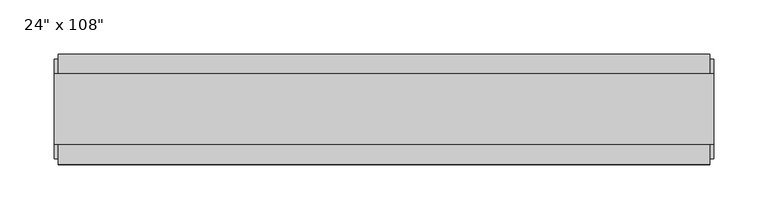
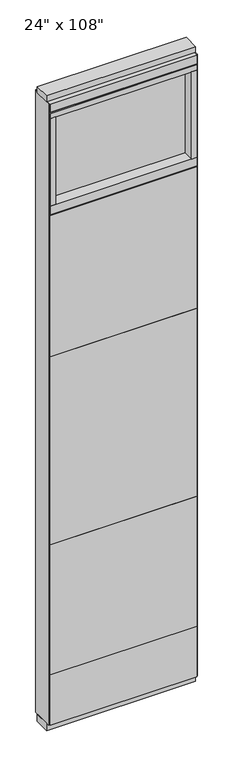
"""IFC4 building model written with IfcOpenShell, lengths in millimetres: furniture geometry."""

from ifc_helpers import new_model, si_unit, frame, origin, origin_with_axes, place, context, project, spatial, polyline, outline, extrude, source, transform, mapped, element, save


def furniture_3c2fc466(model_context):
    return source(origin(), model_context, "Body", "SweptSolid", [
        extrude(outline(polyline([(240.8264771, 46.2822784), (240.8264771, 33.5822784), (-360.8995229, 33.5822784), (-360.8995229, 46.2822784), (240.8264771, 46.2822784)])), frame((0.0, 0.0, 1625.6), z_axis=(0.0, 0.0, 1.0), x_axis=(1.0, 0.0, 0.0)), (0.0, 0.0, 1.0), 609.6),
        extrude(outline(polyline([(240.8264771, 46.2822784), (240.8264771, 33.5822784), (-360.8995229, 33.5822784), (-360.8995229, 46.2822784), (240.8264771, 46.2822784)])), frame((0.0, 0.0, 812.8), z_axis=(0.0, 0.0, 1.0), x_axis=(1.0, 0.0, 0.0)), (0.0, 0.0, 1.0), 812.8),
        extrude(outline(polyline([(240.8264771, 46.2822784), (240.8264771, 33.5822784), (-360.8995229, 33.5822784), (-360.8995229, 46.2822784), (240.8264771, 46.2822784)])), frame((0.0, 0.0, 249.936), z_axis=(0.0, 0.0, 1.0), x_axis=(1.0, 0.0, 0.0)), (0.0, 0.0, 1.0), 562.864),
        extrude(outline(polyline([(240.8264771, -55.3177216), (-360.8995229, -55.3177216), (-360.8995229, -42.6177216), (240.8264771, -42.6177216), (240.8264771, -55.3177216)])), frame((0.0, 0.0, 1625.6), z_axis=(0.0, 0.0, 1.0), x_axis=(1.0, 0.0, 0.0)), (0.0, 0.0, 1.0), 609.6),
        extrude(outline(polyline([(240.8264771, -55.3177216), (-360.8995229, -55.3177216), (-360.8995229, -42.6177216), (240.8264771, -42.6177216), (240.8264771, -55.3177216)])), frame((0.0, 0.0, 812.8), z_axis=(0.0, 0.0, 1.0), x_axis=(1.0, 0.0, 0.0)), (0.0, 0.0, 1.0), 812.8),
        extrude(outline(polyline([(240.8264771, -55.3177216), (-360.8995229, -55.3177216), (-360.8995229, -42.6177216), (240.8264771, -42.6177216), (240.8264771, -55.3177216)])), frame((0.0, 0.0, 249.936), z_axis=(0.0, 0.0, 1.0), x_axis=(1.0, 0.0, 0.0)), (0.0, 0.0, 1.0), 562.864),
        extrude(outline(polyline([(240.8264771, 46.2822784), (240.8264771, 33.5822784), (-360.8995229, 33.5822784), (-360.8995229, 46.2822784), (240.8264771, 46.2822784)])), frame((0.0, 0.0, 31.75), z_axis=(0.0, 0.0, 1.0), x_axis=(1.0, 0.0, 0.0)), (0.0, 0.0, 1.0), 218.186),
        extrude(outline(polyline([(240.8264771, -55.3177216), (-360.8995229, -55.3177216), (-360.8995229, -42.6177216), (240.8264771, -42.6177216), (240.8264771, -55.3177216)])), frame((0.0, 0.0, 31.75), z_axis=(0.0, 0.0, 1.0), x_axis=(1.0, 0.0, 0.0)), (0.0, 0.0, 1.0), 218.186),
        extrude(outline(polyline([(218.6014771, -9.5977216), (-338.6745229, -9.5977216), (-338.6745229, 0.5622784), (218.6014771, 0.5622784), (218.6014771, -9.5977216)])), frame((0.0, 0.0, 2276.475), z_axis=(0.0, 0.0, 1.0), x_axis=(1.0, 0.0, 0.0)), (0.0, 0.0, 1.0), 377.825),
        extrude(outline(polyline([(218.6014771, -55.3177216), (218.6014771, 46.2822784), (240.8264771, 46.2822784), (240.8264771, -55.3177216), (218.6014771, -55.3177216)])), frame((0.0, 0.0, 2276.475), z_axis=(0.0, 0.0, 1.0), x_axis=(1.0, 0.0, 0.0)), (0.0, 0.0, 1.0), 377.825),
        extrude(outline(polyline([(-55.3177216, 2240.153), (-55.3177216, 2276.475), (46.2822784, 2276.475), (46.2822784, 2240.153), (41.3292784, 2240.153), (41.3292784, 2235.2), (-50.3647216, 2235.2), (-50.3647216, 2240.153), (-55.3177216, 2240.153)])), frame((-360.8995229, 0.0, 0.0), z_axis=(1.0, 0.0, 0.0), x_axis=(0.0, 1.0, 0.0)), (0.0, 0.0, 1.0), 601.726),
        extrude(outline(polyline([(-338.6745229, -55.3177216), (-360.8995229, -55.3177216), (-360.8995229, 46.2822784), (-338.6745229, 46.2822784), (-338.6745229, -55.3177216)])), frame((0.0, 0.0, 2276.475), z_axis=(0.0, 0.0, 1.0), x_axis=(1.0, 0.0, 0.0)), (0.0, 0.0, 1.0), 377.825),
        extrude(outline(polyline([(244.7634771, 27.9942784), (244.7634771, -37.0297216), (-364.8365229, -37.0297216), (-364.8365229, 27.9942784), (244.7634771, 27.9942784)])), origin_with_axes(), (0.0, 0.0, 1.0), 31.75),
        extrude(outline(polyline([(-364.8365229, -37.0297216), (-364.8365229, 27.9942784), (244.7634771, 27.9942784), (244.7634771, -37.0297216), (-364.8365229, -37.0297216)])), frame((0.0, 0.0, 2717.8), z_axis=(0.0, 0.0, 1.0), x_axis=(1.0, 0.0, 0.0)), (0.0, 0.0, 1.0), 25.4),
        extrude(outline(polyline([(-55.3177216, 2681.478), (-55.3177216, 2717.8), (46.2822784, 2717.8), (46.2822784, 2681.478), (41.3292784, 2681.478), (41.3292784, 2676.525), (-50.3647216, 2676.525), (-50.3647216, 2681.478), (-55.3177216, 2681.478)])), frame((-360.8995229, 0.0, 0.0), z_axis=(1.0, 0.0, 0.0), x_axis=(0.0, 1.0, 0.0)), (0.0, 0.0, 1.0), 601.726),
        extrude(outline(polyline([(240.8264771, 46.2822784), (240.8264771, -55.3177216), (-360.8995229, -55.3177216), (-360.8995229, 46.2822784), (240.8264771, 46.2822784)])), frame((0.0, 0.0, 2654.3), z_axis=(0.0, 0.0, 1.0), x_axis=(1.0, 0.0, 0.0)), (0.0, 0.0, 1.0), 22.225),
        extrude(outline(polyline([(244.7634771, -50.3647216), (240.8264771, -50.3647216), (240.8264771, 41.3292784), (244.7634771, 41.3292784), (244.7634771, -50.3647216)])), frame((0.0, 0.0, 31.75), z_axis=(0.0, 0.0, 1.0), x_axis=(1.0, 0.0, 0.0)), (0.0, 0.0, 1.0), 2686.05),
        extrude(outline(polyline([(-364.8365229, -50.3647216), (-364.8365229, 41.3292784), (-360.8995229, 41.3292784), (-360.8995229, -50.3647216), (-364.8365229, -50.3647216)])), frame((0.0, 0.0, 31.75), z_axis=(0.0, 0.0, 1.0), x_axis=(1.0, 0.0, 0.0)), (0.0, 0.0, 1.0), 2686.05),
    ])


if __name__ == "__main__":
    model = new_model("IFC4")
    model_context = context("Model", 3, world=origin())
    ifc_project = project(units=[si_unit("LENGTHUNIT", "METRE", prefix="MILLI")], contexts=[model_context])
    site = spatial("IfcSite", under=ifc_project)
    building = spatial("IfcBuilding", under=site)
    placement = place(None, origin())
    furniture_shape = furniture_3c2fc466(model_context)
    element("IfcFurniture", 1, ObjectType="24\" x 108\"", at=placement, inside=building, context=model_context, shape_type="MappedRepresentation", body=[
        mapped(furniture_shape, transform((0.0, 0.0, 0.0), x_axis=(1.0, 0.0, 0.0), y_axis=(0.0, 1.0, 0.0), z_axis=(0.0, 0.0, 1.0))),
    ])
    save(model, "model.ifc")
